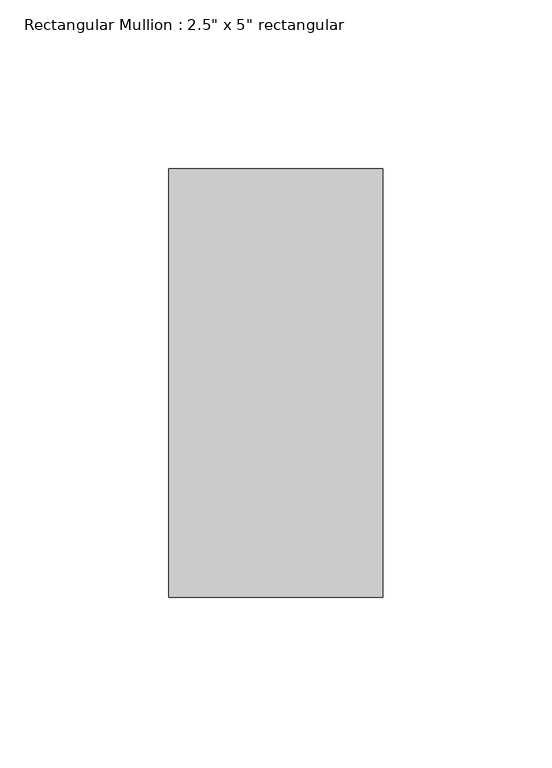
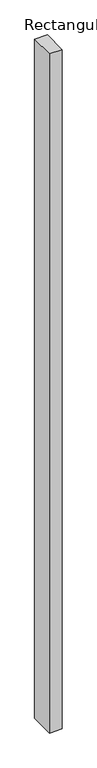
"""IFC4 building model written with IfcOpenShell, lengths in millimetres: member geometry."""

from ifc_helpers import new_model, si_unit, frame, origin, place, context, project, spatial, polyline, outline, extrude, source, transform, mapped, element, save


def member_2b402daf(model_context):
    return source(origin(), model_context, "Body", "SweptSolid", [
        extrude(outline(polyline([(0.0, 63.5), (0.0, -63.5), (-63.5, -63.5), (-63.5, 63.5), (0.0, 63.5)])), frame((0.0, 0.0, -3562.35), z_axis=(0.0, 0.0, 1.0), x_axis=(1.0, 0.0, 0.0)), (0.0, 0.0, 1.0), 3562.35),
    ])


if __name__ == "__main__":
    model = new_model("IFC4")
    model_context = context("Model", 3, world=origin())
    ifc_project = project(units=[si_unit("LENGTHUNIT", "METRE", prefix="MILLI")], contexts=[model_context])
    site = spatial("IfcSite", under=ifc_project)
    building = spatial("IfcBuilding", under=site)
    placement = place(None, origin())
    member_shape = member_2b402daf(model_context)
    element("IfcMember", 1, ObjectType="Rectangular Mullion : 2.5\" x 5\" rectangular", at=placement, inside=building, context=model_context, shape_type="MappedRepresentation", body=[
        mapped(member_shape, transform((0.0, 0.0, 0.0), x_axis=(1.0, 0.0, 0.0), y_axis=(0.0, 1.0, 0.0), z_axis=(0.0, 0.0, 1.0))),
    ])
    save(model, "model.ifc")
